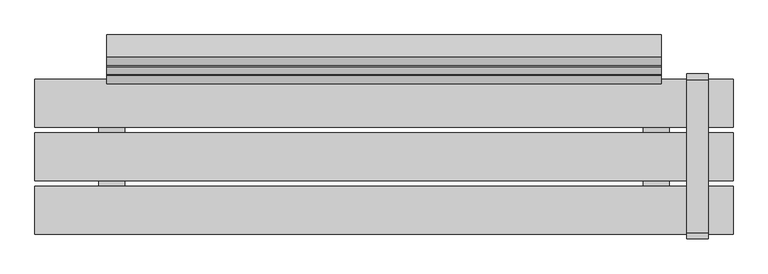
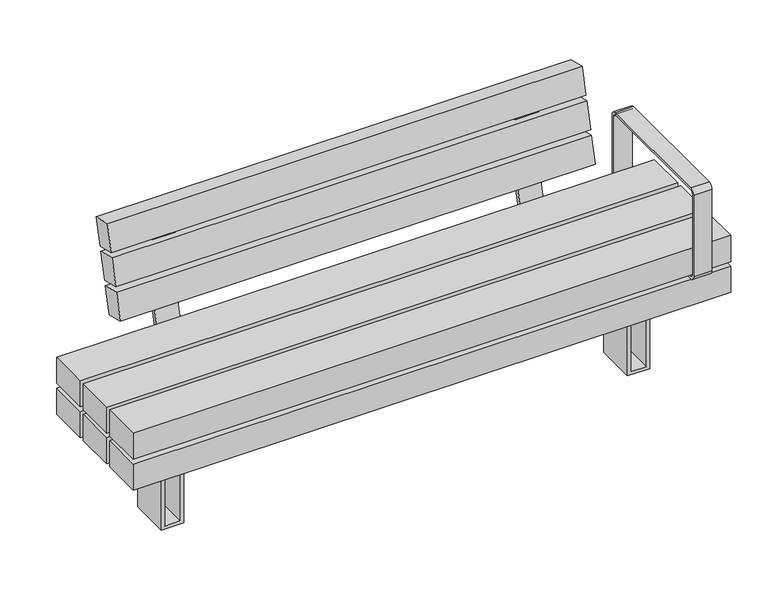
"""IFC4 building model written with IfcOpenShell, lengths in millimetres: furniture geometry."""

from ifc_helpers import new_model, si_unit, point, frame, frame_2d, origin, place, context, project, spatial, polyline, circle_curve, trimmed, segment, composite_curve, outline, extrude, source, transform, mapped, element, save


def furniture_bfc4c2a2(model_context):
    return source(origin(), model_context, "Body", "SweptSolid", [
        extrude(outline(polyline([(351.8217453, 900.0000373), (351.8217453, -900.0), (268.7167987, -900.0), (268.7167987, 900.0000373), (351.8217453, 900.0000373)]), holes=[polyline([(339.8217453, -888.0), (339.8217453, 888.0), (280.7167987, 888.0), (280.7167987, -888.0), (339.8217453, -888.0)])]), frame((0.0, -61.5000218, 0.0), z_axis=(0.0, 1.0, 0.0), x_axis=(0.0, 0.0, 1.0)), (0.0, 0.0, 1.0), 123.0000435),
        extrude(outline(polyline([(258.7167987, 618.4244034), (258.7167987, 668.4244034), (0.0, 668.4244034), (0.0, 735.4649994), (258.7167987, 735.4649994), (258.7167987, 785.4649994), (268.7167987, 785.4649994), (268.7167987, 725.4649994), (10.0, 725.4649994), (10.0, 678.4244034), (268.7167987, 678.4244034), (268.7167987, 618.4244034), (258.7167987, 618.4244034)])), frame((0.0, -61.5083224, 0.0), z_axis=(0.0, 1.0, 0.0), x_axis=(0.0, 0.0, 1.0)), (0.0, 0.0, 1.0), 123.0166879),
        extrude(outline(polyline([(258.7167987, -785.6380966), (258.7167987, -735.6380966), (0.0, -735.6380966), (0.0, -668.5975006), (258.7167987, -668.5975006), (258.7167987, -618.5975006), (268.7167987, -618.5975006), (268.7167987, -678.5975006), (10.0, -678.5975006), (10.0, -725.6380966), (268.7167987, -725.6380966), (268.7167987, -785.6380966), (258.7167987, -785.6380966)])), frame((0.0, -61.5083224, 0.0), z_axis=(0.0, 1.0, 0.0), x_axis=(0.0, 0.0, 1.0)), (0.0, 0.0, 1.0), 123.0166879),
        extrude(outline(composite_curve([segment(polyline([(198.4124417, 351.8217453), (-196.5875583, 351.8217453)]), True, "CONTINUOUS"), segment(trimmed(circle_curve(frame_2d((-196.5875583, 366.8217453)), 15.0), [point((-196.5875583, 351.8217453))], [point((-211.5875583, 366.8217453))], False, "CARTESIAN"), True, "CONTINUOUS"), segment(polyline([(-211.5875583, 366.8217453), (-211.5875583, 626.8217453)]), True, "CONTINUOUS"), segment(trimmed(circle_curve(frame_2d((-196.5875583, 626.8217453)), 15.0), [point((-211.5875583, 626.8217453))], [point((-196.5875583, 641.8217453))], False, "CARTESIAN"), True, "CONTINUOUS"), segment(polyline([(-196.5875583, 641.8217453), (198.4124417, 641.8217453)]), True, "CONTINUOUS"), segment(trimmed(circle_curve(frame_2d((198.4124417, 626.8217453)), 15.0), [point((198.4124417, 641.8217453))], [point((213.4124417, 626.8217453))], False, "CARTESIAN"), True, "CONTINUOUS"), segment(polyline([(213.4124417, 626.8217453), (213.4124417, 366.8217453)]), True, "CONTINUOUS"), segment(trimmed(circle_curve(frame_2d((198.4124417, 366.8217453)), 15.0), [point((213.4124417, 366.8217453))], [point((198.4124417, 351.8217453))], False, "CARTESIAN"), True, "CONTINUOUS")], self_intersect=False), holes=[composite_curve([segment(trimmed(circle_curve(frame_2d((-196.5875583, 366.8217453)), 6.5), [point((-203.0875583, 366.8217453))], [point((-196.5875583, 360.3217453))], True, "CARTESIAN"), True, "CONTINUOUS"), segment(polyline([(-196.5875583, 360.3217453), (198.4124417, 360.3217453)]), True, "CONTINUOUS"), segment(trimmed(circle_curve(frame_2d((198.4124417, 366.8217453)), 6.5), [point((198.4124417, 360.3217453))], [point((204.9124417, 366.8217453))], True, "CARTESIAN"), True, "CONTINUOUS"), segment(polyline([(204.9124417, 366.8217453), (204.9124417, 626.8217453)]), True, "CONTINUOUS"), segment(trimmed(circle_curve(frame_2d((198.4124417, 626.8217453)), 6.5), [point((204.9124417, 626.8217453))], [point((198.4124417, 633.3217453))], True, "CARTESIAN"), True, "CONTINUOUS"), segment(polyline([(198.4124417, 633.3217453), (-196.5875583, 633.3217453)]), True, "CONTINUOUS"), segment(trimmed(circle_curve(frame_2d((-196.5875583, 626.8217453)), 6.5), [point((-196.5875583, 633.3217453))], [point((-203.0875583, 626.8217453))], True, "CARTESIAN"), True, "CONTINUOUS"), segment(polyline([(-203.0875583, 626.8217453), (-203.0875583, 366.8217453)]), True, "CONTINUOUS")], self_intersect=False)]), frame((781.1291871, 0.0, 0.0), z_axis=(1.0, 0.0, 0.0), x_axis=(0.0, 1.0, 0.0)), (0.0, 0.0, 1.0), 55.0),
        extrude(outline(composite_curve([segment(polyline([(301.7676975, 665.0239384), (227.7235932, 368.0492568)]), True, "CONTINUOUS"), segment(trimmed(circle_curve(frame_2d((206.9533257, 373.2278661)), 21.4061208), [point((227.7235932, 368.0492568))], [point((206.9533257, 351.8217453))], False, "CARTESIAN"), True, "CONTINUOUS"), segment(polyline([(206.9533257, 351.8217453), (76.4999782, 351.8217453), (76.4999782, 366.8258682), (207.2227467, 366.8258682)]), True, "CONTINUOUS"), segment(trimmed(circle_curve(frame_2d((207.2227467, 376.8258682)), 10.0), [point((207.2227467, 366.8258682))], [point((216.925704, 374.4066493))], True, "CARTESIAN"), True, "CONTINUOUS"), segment(polyline([(216.925704, 374.4066493), (290.8352259, 670.8415506), (252.7658072, 680.3333227), (255.6688699, 691.9768714), (290.84209, 683.2072027)]), True, "CONTINUOUS"), segment(trimmed(circle_curve(frame_2d((287.2132616, 668.6527668)), 15.0), [point((290.84209, 683.2072027))], [point((301.7676975, 665.0239384))], False, "CARTESIAN"), True, "CONTINUOUS")], self_intersect=False)), frame((-582.1768452, 0.0, 0.0), z_axis=(1.0, 0.0, 0.0), x_axis=(0.0, 1.0, 0.0)), (0.0, 0.0, 1.0), 70.0),
        extrude(outline(composite_curve([segment(polyline([(301.7676975, 665.0239384), (227.7235932, 368.0492568)]), True, "CONTINUOUS"), segment(trimmed(circle_curve(frame_2d((206.9533257, 373.2278661)), 21.4061208), [point((227.7235932, 368.0492568))], [point((206.9533257, 351.8217453))], False, "CARTESIAN"), True, "CONTINUOUS"), segment(polyline([(206.9533257, 351.8217453), (76.4999782, 351.8217453), (76.4999782, 366.8258682), (207.2227467, 366.8258682)]), True, "CONTINUOUS"), segment(trimmed(circle_curve(frame_2d((207.2227467, 376.8258682)), 10.0), [point((207.2227467, 366.8258682))], [point((216.925704, 374.4066493))], True, "CARTESIAN"), True, "CONTINUOUS"), segment(polyline([(216.925704, 374.4066493), (290.8352259, 670.8415506), (252.7658072, 680.3333227), (255.6688699, 691.9768714), (290.84209, 683.2072027)]), True, "CONTINUOUS"), segment(trimmed(circle_curve(frame_2d((287.2132616, 668.6527668)), 15.0), [point((290.84209, 683.2072027))], [point((301.7676975, 665.0239384))], False, "CARTESIAN"), True, "CONTINUOUS")], self_intersect=False)), frame((512.1769562, 0.0, 0.0), z_axis=(1.0, 0.0, 0.0), x_axis=(0.0, 1.0, 0.0)), (0.0, 0.0, 1.0), 70.0),
        extrude(outline(polyline([(0.0, -60.0), (0.0, 0.0), (1430.0000015, 0.0), (1430.0000015, -60.0), (0.0, -60.0)])), frame((715.0000752, 188.1106519, 506.8497082), z_axis=(0.0, 0.24226794219074058, 0.9702093816216497), x_axis=(-1.0, 0.0, 0.0)), (0.0, 0.0, 1.0), 82.9016978),
        extrude(outline(polyline([(0.0, -60.0), (0.0, 0.0), (1430.0000015, 0.0), (1430.0000015, -60.0), (0.0, -60.0)])), frame((715.0000752, 211.8519257, 601.9262847), z_axis=(0.0, 0.24226794219074002, 0.9702093816216498), x_axis=(-1.0, 0.0, 0.0)), (0.0, 0.0, 1.0), 82.9016978),
        extrude(outline(polyline([(0.0, -60.0), (0.0, 0.0), (1430.0000015, 0.0), (1430.0000015, -60.0), (0.0, -60.0)])), frame((715.0000752, 235.5883657, 696.9835034), z_axis=(0.0, 0.24226794219073886, 0.9702093816216503), x_axis=(-1.0, 0.0, 0.0)), (0.0, 0.0, 1.0), 82.9016978),
        extrude(outline(polyline([(900.0, -76.5174894), (900.0, -199.5174894), (-900.0, -199.5174894), (-900.0, -76.5174894), (900.0, -76.5174894)])), frame((0.0, 0.0, 366.8258682), z_axis=(0.0, 0.0, 1.0), x_axis=(1.0, 0.0, 0.0)), (0.0, 0.0, 1.0), 83.1049466),
        extrude(outline(polyline([(900.0, 61.4888479), (900.0, -61.5111521), (-900.0, -61.5111521), (-900.0, 61.4888479), (900.0, 61.4888479)])), frame((0.0, 0.0, 366.8258682), z_axis=(0.0, 0.0, 1.0), x_axis=(1.0, 0.0, 0.0)), (0.0, 0.0, 1.0), 83.1049466),
        extrude(outline(polyline([(900.0, 199.4999782), (900.0, 76.4999782), (-900.0, 76.4999782), (-900.0, 199.4999782), (900.0, 199.4999782)])), frame((0.0, 0.0, 366.8258682), z_axis=(0.0, 0.0, 1.0), x_axis=(1.0, 0.0, 0.0)), (0.0, 0.0, 1.0), 83.1049466),
        extrude(outline(polyline([(900.0, -76.5174894), (900.0, -199.5174894), (-900.0, -199.5174894), (-900.0, -76.5174894), (900.0, -76.5174894)])), frame((0.0, 0.0, 268.7167987), z_axis=(0.0, 0.0, 1.0), x_axis=(1.0, 0.0, 0.0)), (0.0, 0.0, 1.0), 83.1049466),
        extrude(outline(polyline([(900.0, 199.4999782), (900.0, 76.4999782), (-900.0, 76.4999782), (-900.0, 199.4999782), (900.0, 199.4999782)])), frame((0.0, 0.0, 268.7167987), z_axis=(0.0, 0.0, 1.0), x_axis=(1.0, 0.0, 0.0)), (0.0, 0.0, 1.0), 83.1049466),
        extrude(outline(polyline([(735.4649994, -171.2111197), (668.4244034, -171.2111197), (668.4244034, 168.7288553), (735.4649994, 168.7288553), (735.4649994, -171.2111197)])), frame((0.0, 0.0, 351.8217453), z_axis=(0.0, 0.0, 1.0), x_axis=(1.0, 0.0, 0.0)), (0.0, 0.0, 1.0), 15.004123),
        extrude(outline(polyline([(-668.5975006, -171.2111197), (-735.6380966, -171.2111197), (-735.6380966, 168.7288553), (-668.5975006, 168.7288553), (-668.5975006, -171.2111197)])), frame((0.0, 0.0, 351.8217453), z_axis=(0.0, 0.0, 1.0), x_axis=(1.0, 0.0, 0.0)), (0.0, 0.0, 1.0), 15.004123),
    ])


if __name__ == "__main__":
    model = new_model("IFC4")
    model_context = context("Model", 3, world=origin())
    ifc_project = project(units=[si_unit("LENGTHUNIT", "METRE", prefix="MILLI")], contexts=[model_context])
    site = spatial("IfcSite", under=ifc_project)
    building = spatial("IfcBuilding", under=site)
    placement = place(None, origin())
    furniture_shape = furniture_bfc4c2a2(model_context)
    element("IfcFurniture", 1, at=placement, inside=building, context=model_context, shape_type="MappedRepresentation", body=[
        mapped(furniture_shape, transform((0.0, 0.0, 0.0), x_axis=(1.0, 0.0, 0.0), y_axis=(0.0, 1.0, 0.0), z_axis=(0.0, 0.0, 1.0))),
    ])
    save(model, "model.ifc")
